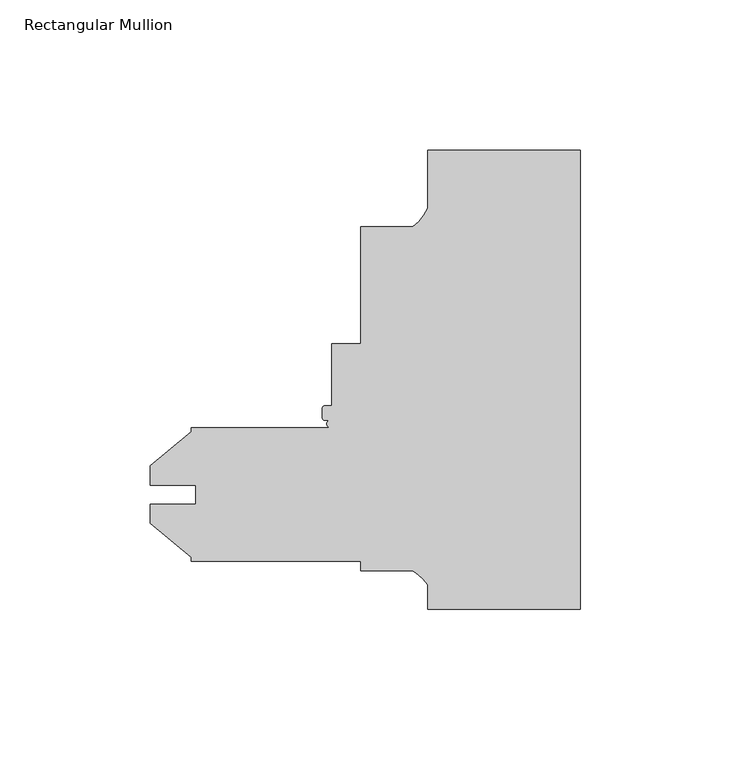
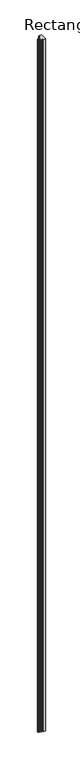
"""IFC4 building model written with IfcOpenShell, lengths in millimetres: member geometry, Rectangular Mullion."""

from ifc_helpers import new_model, si_unit, frame, origin, place, context, project, spatial, polyline, circle_curve, source, transform, mapped, element, save
from ifc_brep_helpers import plane_surface, cylinder_surface, revolved_surface, advanced_brep


def rectangular_mullion_a6620522(model_context):
    return source(origin(), model_context, "Body", "AdvancedBrep", [
        advanced_brep(
        [(-50.8, 0.0, 0.0), (0.0, 0.0, 0.0), (0.0, 152.4, 0.0), (-50.8, 152.4, 0.0), (-50.8, 133.2282223, 0.0), (-55.6934749, 127.0, 0.0), (-73.0249898, 127.0, 0.0), (-73.0274472, 88.162055, 0.0), (-82.5524472, 88.162055, 0.0), (-82.5524472, 67.537255, 0.0), (-84.9400472, 67.537255, 0.0), (-85.7274472, 66.749855, 0.0), (-85.7274472, 63.549455, 0.0), (-85.0398453, 62.768405, 0.0), (-83.1417066, 62.768405, 0.0), (-83.1417066, 60.380805, 0.0), (-129.3812398, 60.325, 0.0), (-129.3812398, 58.9257533, 0.0), (-142.8432398, 47.629794, 0.0), (-142.8432398, 41.2595221, 0.0), (-127.8064398, 41.2595221, 0.0), (-127.8064398, 34.9354045, 0.0), (-142.8432398, 34.9354045, 0.0), (-142.8432398, 28.565126, 0.0), (-129.3812398, 17.2691667, 0.0), (-129.3812398, 15.875, 0.0), (-73.0249898, 15.875, 0.0), (-73.0249898, 12.7, 0.0), (-55.7723352, 12.7, 0.0), (-50.8, 8.1515407, 0.0), (-50.8, 0.0, -15837.0064664), (-50.8, 8.1515407, -15837.0064664), (-55.7723352, 12.7, -15837.0064664), (-73.0249898, 12.7, -15837.0064664), (-73.0249898, 15.875, -15837.0064664), (-129.3812398, 15.875, -15837.0064664), (-129.3812398, 17.2691667, -15837.0064664), (-142.8432398, 28.565126, -15837.0064664), (-142.8432398, 34.9354045, -15837.0064664), (-127.8064398, 34.9354045, -15837.0064664), (-127.8064398, 41.2595221, -15837.0064664), (-142.8432398, 41.2595221, -15837.0064664), (-142.8432398, 47.629794, -15837.0064664), (-129.3812398, 58.9257533, -15837.0064664), (-129.3812398, 60.325, -15837.0064664), (-83.1417066, 60.325, -15837.0064664), (-83.1417066, 62.768405, -15837.0064664), (-85.0398453, 62.768405, -15837.0064664), (-85.7274472, 63.549455, -15837.0064664), (-85.7274472, 66.749855, -15837.0064664), (-84.9400472, 67.537255, -15837.0064664), (-82.5524472, 67.537255, -15837.0064664), (-82.5524472, 88.162055, -15837.0064664), (-73.0274472, 88.162055, -15837.0064664), (-73.0249898, 127.0, -15837.0064664), (-55.6934749, 127.0, -15837.0064664), (-50.8, 133.2282223, -15837.0064664), (-50.8, 152.4, -15837.0064664), (0.0, 152.4, -15837.0064664), (0.0, 0.0, -15837.0064664)],
        [
            (0, 1),
            (1, 2),
            (2, 3),
            (3, 4),
            (4, 5, circle_curve(frame((-64.9144522, 139.281361, 0.0), z_axis=(0.0, 0.0, -1.0), x_axis=(-1.0, 0.0, 0.0)), 15.3576772)),
            (5, 6),
            (6, 7),
            (7, 8),
            (8, 9),
            (9, 10),
            (10, 11, circle_curve(frame((-84.9400472, 66.749855, 0.0), z_axis=(0.0, 0.0, 1.0), x_axis=(-1.0, 0.0, 0.0)), 0.7874)),
            (11, 12),
            (12, 13, circle_curve(frame((-84.9400472, 63.549455, 0.0), z_axis=(0.0, 0.0, 1.0), x_axis=(-1.0, 0.0, 0.0)), 0.7874)),
            (13, 14),
            (14, 15, circle_curve(frame((-83.1417066, 61.574605, 0.0), z_axis=(0.0, 0.0, 1.0), x_axis=(-1.0, 0.0, 0.0)), 1.1938)),
            (15, 16),
            (16, 17),
            (17, 18),
            (18, 19),
            (19, 20),
            (20, 21),
            (21, 22),
            (22, 23),
            (23, 24),
            (24, 25),
            (25, 26),
            (26, 27),
            (27, 28),
            (28, 29, circle_curve(frame((-62.7094364, 0.1243368, 0.0), z_axis=(0.0, 0.0, -1.0), x_axis=(-1.0, 0.0, 0.0)), 14.3621265)),
            (29, 0),
            (30, 31),
            (31, 32, circle_curve(frame((-62.7094364, 0.1243368, -15837.0064664), z_axis=(0.0, 0.0, 1.0), x_axis=(-1.0, 0.0, 0.0)), 14.3621265)),
            (32, 33),
            (33, 34),
            (34, 35),
            (35, 36),
            (36, 37),
            (37, 38),
            (38, 39),
            (39, 40),
            (40, 41),
            (41, 42),
            (42, 43),
            (43, 44),
            (44, 45),
            (45, 46, circle_curve(frame((-83.1417066, 61.574605, -15837.0064664), z_axis=(0.0, 0.0, -1.0), x_axis=(-1.0, 0.0, 0.0)), 1.1938)),
            (46, 47),
            (47, 48, circle_curve(frame((-84.9400472, 63.549455, -15837.0064664), z_axis=(0.0, 0.0, -1.0), x_axis=(-1.0, 0.0, 0.0)), 0.7874)),
            (48, 49),
            (49, 50, circle_curve(frame((-84.9400472, 66.749855, -15837.0064664), z_axis=(0.0, 0.0, -1.0), x_axis=(-1.0, 0.0, 0.0)), 0.7874)),
            (50, 51),
            (51, 52),
            (52, 53),
            (53, 54),
            (54, 55),
            (55, 56, circle_curve(frame((-64.9144522, 139.281361, -15837.0064664), z_axis=(0.0, 0.0, 1.0), x_axis=(-1.0, 0.0, 0.0)), 15.3576772)),
            (56, 57),
            (57, 58),
            (58, 59),
            (59, 30),
            (0, 30),
            (59, 1),
            (58, 2),
            (57, 3),
            (56, 4),
            (55, 5),
            (54, 6),
            (53, 7),
            (52, 8),
            (51, 9),
            (50, 10),
            (49, 11),
            (48, 12),
            (47, 13),
            (46, 14),
            (45, 15),
            (44, 16),
            (43, 17),
            (42, 18),
            (41, 19),
            (40, 20),
            (39, 21),
            (38, 22),
            (37, 23),
            (36, 24),
            (35, 25),
            (34, 26),
            (33, 27),
            (32, 28),
            (31, 29),
        ],
        [
            plane_surface(frame((0.0, -160.6437051, 0.0), z_axis=(0.0, 0.0, 1.0), x_axis=(-1.0, 0.0, 0.0))),
            plane_surface(frame((0.0, -160.6437051, -15837.0064664), z_axis=(0.0, 0.0, -1.0), x_axis=(-1.0, 0.0, 0.0))),
            plane_surface(frame((-50.8, 0.0, 0.0), z_axis=(0.0, -1.0, 0.0), x_axis=(0.0, 0.0, -1.0))),
            plane_surface(frame((0.0, 0.0, 0.0), z_axis=(1.0, 0.0, 0.0), x_axis=(0.0, 0.0, -1.0))),
            plane_surface(frame((0.0, 152.4, 0.0), z_axis=(0.0, 1.0, 0.0), x_axis=(0.0, 0.0, -1.0))),
            plane_surface(frame((-50.8, 152.4, 0.0), z_axis=(-1.0, 0.0, 0.0), x_axis=(0.0, 0.0, -1.0))),
            revolved_surface(polyline([(-80.2721294, 139.281361, -15837.0064664), (-80.2721294, 139.281361, 0.0)]), (-64.9144522, 139.281361, 0.0), (0.0, 0.0, -1.0)),
            plane_surface(frame((-55.6934749, 127.0, 0.0), z_axis=(0.0, 1.0, 0.0), x_axis=(0.0, 0.0, -1.0))),
            plane_surface(frame((-73.0249898, 127.0, 0.0), z_axis=(-0.9999999979983534, 6.327158462678298e-05, 0.0), x_axis=(0.0, 0.0, -1.0))),
            plane_surface(frame((-73.0274472, 88.162055, 0.0), z_axis=(0.0, 1.0, 0.0), x_axis=(0.0, 0.0, -1.0))),
            plane_surface(frame((-82.5524472, 88.162055, 0.0), z_axis=(-1.0, 0.0, 0.0), x_axis=(0.0, 0.0, -1.0))),
            plane_surface(frame((-82.5524472, 67.537255, 0.0), z_axis=(0.0, 1.0, 0.0), x_axis=(0.0, 0.0, -1.0))),
            cylinder_surface(frame((-84.9400472, 66.749855, 0.0), z_axis=(0.0, 0.0, 1.0), x_axis=(-1.0, 0.0, 0.0)), 0.7874),
            plane_surface(frame((-85.7274472, 66.749855, 0.0), z_axis=(-1.0, 0.0, 0.0), x_axis=(0.0, 0.0, -1.0))),
            cylinder_surface(frame((-84.9400472, 63.549455, 0.0), z_axis=(0.0, 0.0, 1.0), x_axis=(-1.0, 0.0, 0.0)), 0.7874),
            plane_surface(frame((-85.0398453, 62.768405, 0.0), z_axis=(0.0, -1.0, 0.0), x_axis=(0.0, 0.0, -1.0))),
            cylinder_surface(frame((-83.1417066, 61.574605, 0.0), z_axis=(0.0, 0.0, 1.0), x_axis=(-1.0, 0.0, 0.0)), 1.1938),
            plane_surface(frame((-83.1417066, 60.325, 0.0), z_axis=(0.0, 1.0, 0.0), x_axis=(0.0, 0.0, -1.0))),
            plane_surface(frame((-129.3812398, 60.325, 0.0), z_axis=(-1.0, 0.0, 0.0), x_axis=(0.0, 0.0, -1.0))),
            plane_surface(frame((-129.3812398, 58.9257533, 0.0), z_axis=(-0.6427876096865509, 0.7660444431189684, 0.0), x_axis=(0.0, 0.0, -1.0))),
            plane_surface(frame((-142.8432398, 47.629794, 0.0), z_axis=(-1.0, 0.0, 0.0), x_axis=(0.0, 0.0, -1.0))),
            plane_surface(frame((-142.8432398, 41.2595221, 0.0), z_axis=(0.0, -1.0, 0.0), x_axis=(0.0, 0.0, -1.0))),
            plane_surface(frame((-127.8064398, 41.2595221, 0.0), z_axis=(-1.0, 0.0, 0.0), x_axis=(0.0, 0.0, -1.0))),
            plane_surface(frame((-127.8064398, 34.9354045, 0.0), z_axis=(0.0, 1.0, 0.0), x_axis=(0.0, 0.0, -1.0))),
            plane_surface(frame((-142.8432398, 34.9354045, 0.0), z_axis=(-1.0, 0.0, 0.0), x_axis=(0.0, 0.0, -1.0))),
            plane_surface(frame((-142.8432398, 28.565126, 0.0), z_axis=(-0.6427876096865519, -0.7660444431189675, 0.0), x_axis=(0.0, 0.0, -1.0))),
            plane_surface(frame((-129.3812398, 17.2691667, 0.0), z_axis=(-1.0, 0.0, 0.0), x_axis=(0.0, 0.0, -1.0))),
            plane_surface(frame((-129.3812398, 15.875, 0.0), z_axis=(0.0, -1.0, 0.0), x_axis=(0.0, 0.0, -1.0))),
            plane_surface(frame((-73.0249898, 15.875, 0.0), z_axis=(-1.0, 0.0, 0.0), x_axis=(0.0, 0.0, -1.0))),
            plane_surface(frame((-73.0249898, 12.7, 0.0), z_axis=(0.0, -1.0, 0.0), x_axis=(0.0, 0.0, -1.0))),
            revolved_surface(polyline([(-77.0715629, 0.1243368, -15837.0064664), (-77.0715629, 0.1243368, 0.0)]), (-62.7094364, 0.1243368, 0.0), (0.0, 0.0, -1.0)),
            plane_surface(frame((-50.8, 8.1515407, 0.0), z_axis=(-1.0, 0.0, 0.0), x_axis=(0.0, 0.0, -1.0))),
        ],
        [
            (0, [[1, 2, 3, 4, 5, 6, 7, 8, 9, 10, 11, 12, 13, 14, 15, 16, 17, 18, 19, 20, 21, 22, 23, 24, 25, 26, 27, 28, 29, 30]]),
            (1, [[31, 32, 33, 34, 35, 36, 37, 38, 39, 40, 41, 42, 43, 44, 45, 46, 47, 48, 49, 50, 51, 52, 53, 54, 55, 56, 57, 58, 59, 60]]),
            (2, [[-1, 61, -60, 62]]),
            (3, [[-2, -62, -59, 63]]),
            (4, [[-3, -63, -58, 64]]),
            (5, [[-4, -64, -57, 65]]),
            (6, [[-5, -65, -56, 66]]),
            (7, [[-6, -66, -55, 67]]),
            (8, [[-7, -67, -54, 68]]),
            (9, [[-8, -68, -53, 69]]),
            (10, [[-9, -69, -52, 70]]),
            (11, [[-10, -70, -51, 71]]),
            (12, [[-11, -71, -50, 72]]),
            (13, [[-12, -72, -49, 73]]),
            (14, [[-13, -73, -48, 74]]),
            (15, [[-14, -74, -47, 75]]),
            (16, [[-15, -75, -46, 76]]),
            (17, [[-16, -76, -45, 77]]),
            (18, [[-17, -77, -44, 78]]),
            (19, [[-18, -78, -43, 79]]),
            (20, [[-19, -79, -42, 80]]),
            (21, [[-20, -80, -41, 81]]),
            (22, [[-21, -81, -40, 82]]),
            (23, [[-22, -82, -39, 83]]),
            (24, [[-23, -83, -38, 84]]),
            (25, [[-24, -84, -37, 85]]),
            (26, [[-25, -85, -36, 86]]),
            (27, [[-26, -86, -35, 87]]),
            (28, [[-27, -87, -34, 88]]),
            (29, [[-28, -88, -33, 89]]),
            (30, [[-29, -89, -32, 90]]),
            (31, [[-30, -90, -31, -61]]),
        ],
    ),
    ])


if __name__ == "__main__":
    model = new_model("IFC4")
    model_context = context("Model", 3, world=origin())
    ifc_project = project(units=[si_unit("LENGTHUNIT", "METRE", prefix="MILLI")], contexts=[model_context])
    site = spatial("IfcSite", under=ifc_project)
    building = spatial("IfcBuilding", under=site)
    placement = place(None, origin())
    rectangular_mullion_shape = rectangular_mullion_a6620522(model_context)
    element("IfcMember", 1, ObjectType="Rectangular Mullion", at=placement, inside=building, context=model_context, shape_type="MappedRepresentation", body=[
        mapped(rectangular_mullion_shape, transform((0.0, 0.0, 0.0), x_axis=(1.0, 0.0, 0.0), y_axis=(0.0, 1.0, 0.0), z_axis=(0.0, 0.0, 1.0))),
    ])
    save(model, "model.ifc")
